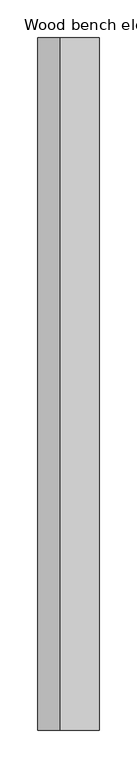
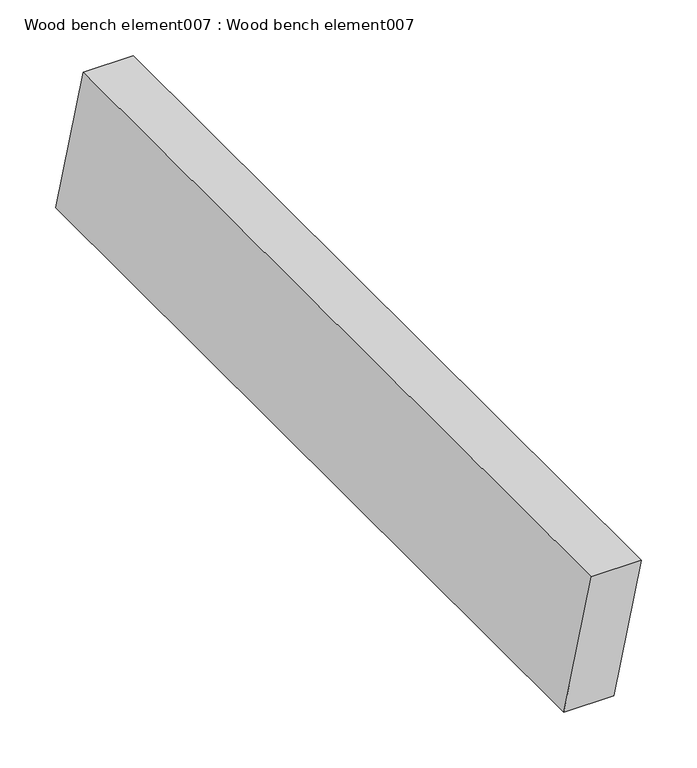
"""IFC4 building model written with IfcOpenShell, lengths in millimetres: proxy geometry, Wood bench element007 : Wood bench element007."""

from ifc_helpers import new_model, si_unit, frame, origin, place, context, project, spatial, polyline, outline, extrude, source, transform, mapped, element, save


def wood_bench_element007_wood_bench_element007_41070783(model_context):
    return source(origin(), model_context, "Body", "SweptSolid", [
        extrude(outline(polyline([(762.1420166, 38152.5632887), (762.1420166, 38100.6725675), (623.3062768, 38071.7484551), (623.3062768, 38123.6391762), (762.1420166, 38152.5632887)])), frame((0.0, -19576.8264268, 0.0), z_axis=(0.0, 1.0, 0.0), x_axis=(0.0, 0.0, 1.0)), (0.0, 0.0, 1.0), 914.4),
    ])


if __name__ == "__main__":
    model = new_model("IFC4")
    model_context = context("Model", 3, world=origin())
    ifc_project = project(units=[si_unit("LENGTHUNIT", "METRE", prefix="MILLI")], contexts=[model_context])
    site = spatial("IfcSite", under=ifc_project)
    building = spatial("IfcBuilding", under=site)
    placement = place(None, origin())
    wood_bench_element007_wood_bench_element007_shape = wood_bench_element007_wood_bench_element007_41070783(model_context)
    element("IfcBuildingElementProxy", 1, Name="Wood bench element007 : Wood bench element007", ObjectType="Wood bench element007 : Wood bench element007", at=placement, inside=building, context=model_context, shape_type="MappedRepresentation", body=[
        mapped(wood_bench_element007_wood_bench_element007_shape, transform((0.0, 0.0, 0.0), x_axis=(1.0, 0.0, 0.0), y_axis=(0.0, 1.0, 0.0), z_axis=(0.0, 0.0, 1.0))),
    ])
    save(model, "model.ifc")
